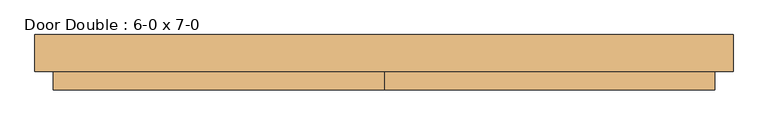
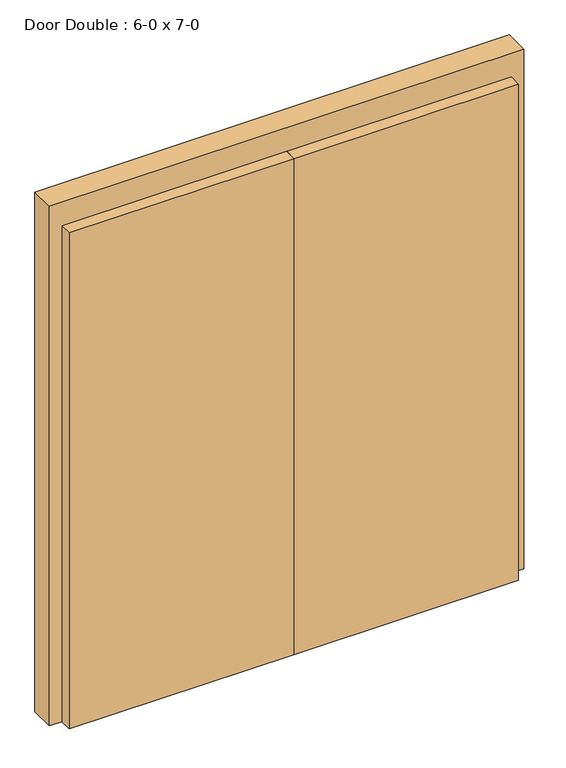
"""IFC4 building model written with IfcOpenShell, lengths in millimetres: door geometry, Door Double : 6-0 x 7-0."""

from ifc_helpers import new_model, si_unit, frame, origin, origin_with_axes, place, context, project, spatial, polyline, outline, extrude, source, transform, mapped, element, save


def door_double_6_0_x_7_0_eb9c4586(model_context):
    return source(origin(), model_context, "Body", "SweptSolid", [
        extrude(outline(polyline([(2133.6, 914.4), (0.0, 914.4), (0.0, 965.2), (2235.2, 965.2), (2235.2, -965.2), (0.0, -965.2), (0.0, -914.4), (2133.6, -914.4), (2133.6, 914.4)])), frame((0.0, 25.4, 0.0), z_axis=(0.0, 1.0, 0.0), x_axis=(0.0, 0.0, 1.0)), (0.0, 0.0, 1.0), 101.6),
        extrude(outline(polyline([(0.0, -25.4), (-914.4, -25.4), (-914.4, 25.4), (0.0, 25.4), (0.0, -25.4)])), origin_with_axes(), (0.0, 0.0, 1.0), 2133.6),
        extrude(outline(polyline([(914.4, -25.4), (0.0, -25.4), (0.0, 25.4), (914.4, 25.4), (914.4, -25.4)])), origin_with_axes(), (0.0, 0.0, 1.0), 2133.6),
    ])


if __name__ == "__main__":
    model = new_model("IFC4")
    model_context = context("Model", 3, world=origin())
    ifc_project = project(units=[si_unit("LENGTHUNIT", "METRE", prefix="MILLI")], contexts=[model_context])
    site = spatial("IfcSite", under=ifc_project)
    building = spatial("IfcBuilding", under=site)
    placement = place(None, origin())
    door_double_6_0_x_7_0_shape = door_double_6_0_x_7_0_eb9c4586(model_context)
    element("IfcDoor", 1, ObjectType="Door Double : 6-0 x 7-0", at=placement, inside=building, context=model_context, shape_type="MappedRepresentation", body=[
        mapped(door_double_6_0_x_7_0_shape, transform((0.0, 0.0, 0.0), x_axis=(1.0, 0.0, 0.0), y_axis=(0.0, 1.0, 0.0), z_axis=(0.0, 0.0, 1.0))),
    ])
    save(model, "model.ifc")
